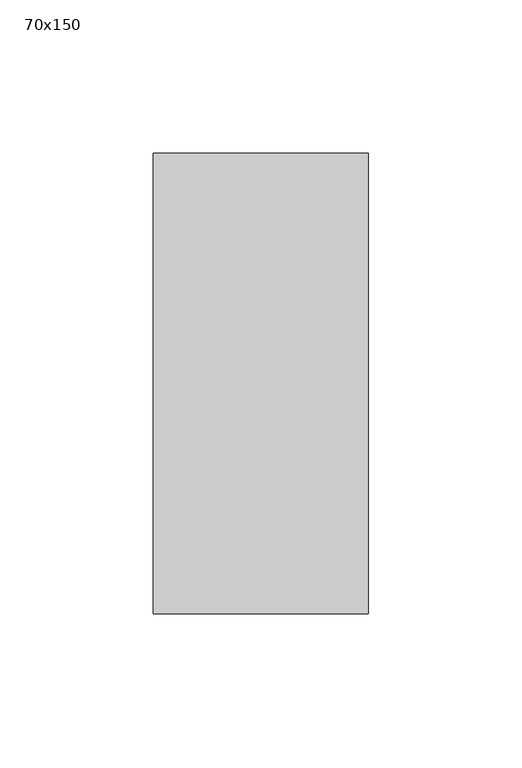
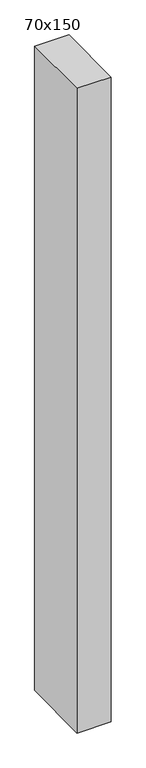
"""IFC4 building model written with IfcOpenShell, lengths in millimetres: member geometry, 70x150."""

from ifc_helpers import new_model, si_unit, frame, origin, place, context, project, spatial, polyline, outline, extrude, source, transform, mapped, element, save


def member_70x150_37ae0d1a(model_context):
    return source(origin(), model_context, "Body", "SweptSolid", [
        extrude(outline(polyline([(-75.0, -0.1992642), (75.0, 0.1992642), (75.0, -1396.5407643), (-75.0, -1398.4967303), (-75.0, -0.1992642)])), frame((-70.0, 0.0, 0.0), z_axis=(1.0, 0.0, 0.0), x_axis=(0.0, 1.0, 0.0)), (0.0, 0.0, 1.0), 70.0),
    ])


if __name__ == "__main__":
    model = new_model("IFC4")
    model_context = context("Model", 3, world=origin())
    ifc_project = project(units=[si_unit("LENGTHUNIT", "METRE", prefix="MILLI")], contexts=[model_context])
    site = spatial("IfcSite", under=ifc_project)
    building = spatial("IfcBuilding", under=site)
    placement = place(None, origin())
    member_70x150_shape = member_70x150_37ae0d1a(model_context)
    element("IfcMember", 1, ObjectType="70x150", at=placement, inside=building, context=model_context, shape_type="MappedRepresentation", body=[
        mapped(member_70x150_shape, transform((0.0, 0.0, 0.0), x_axis=(1.0, 0.0, 0.0), y_axis=(0.0, 1.0, 0.0), z_axis=(0.0, 0.0, 1.0))),
    ])
    save(model, "model.ifc")
